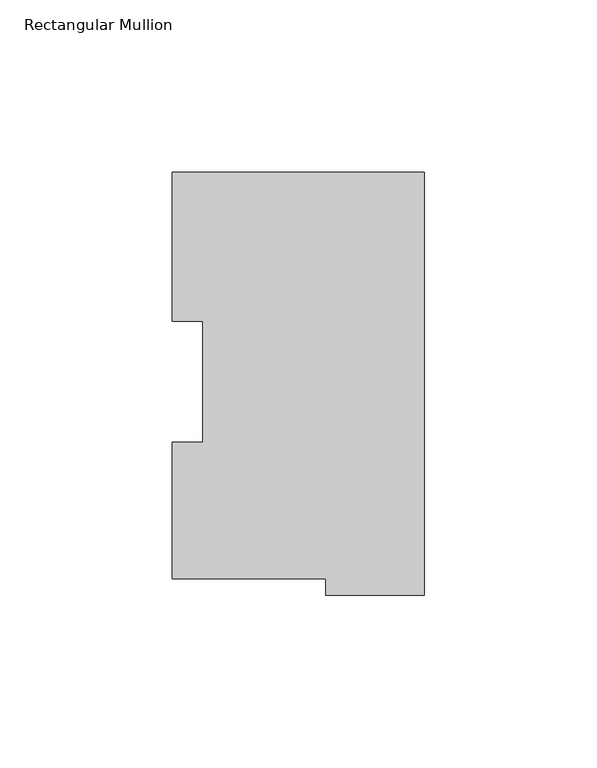
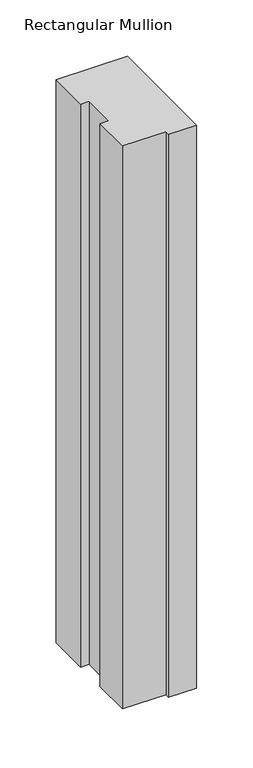
"""IFC4 building model written with IfcOpenShell, lengths in millimetres: member geometry, Rectangular Mullion."""

from ifc_helpers import new_model, si_unit, frame, origin, place, context, project, spatial, polyline, outline, extrude, source, transform, mapped, element, save


def rectangular_mullion_55e980c4(model_context):
    return source(origin(), model_context, "Body", "SweptSolid", [
        extrude(outline(polyline([(0.0, 117.827425), (0.0, -4.778375), (-28.575, -4.778375), (-28.575, -0.028575), (-73.025, -0.028575), (-73.025, 39.646225), (-64.2874, 39.646225), (-64.2874, 74.596625), (-73.025, 74.596625), (-73.025, 117.827425), (0.0, 117.827425)])), frame((0.0, 0.0, -609.6), z_axis=(0.0, 0.0, 1.0), x_axis=(1.0, 0.0, 0.0)), (0.0, 0.0, 1.0), 609.6),
    ])


if __name__ == "__main__":
    model = new_model("IFC4")
    model_context = context("Model", 3, world=origin())
    ifc_project = project(units=[si_unit("LENGTHUNIT", "METRE", prefix="MILLI")], contexts=[model_context])
    site = spatial("IfcSite", under=ifc_project)
    building = spatial("IfcBuilding", under=site)
    placement = place(None, origin())
    rectangular_mullion_shape = rectangular_mullion_55e980c4(model_context)
    element("IfcMember", 1, ObjectType="Rectangular Mullion", at=placement, inside=building, context=model_context, shape_type="MappedRepresentation", body=[
        mapped(rectangular_mullion_shape, transform((0.0, 0.0, 0.0), x_axis=(1.0, 0.0, 0.0), y_axis=(0.0, 1.0, 0.0), z_axis=(0.0, 0.0, 1.0))),
    ])
    save(model, "model.ifc")
